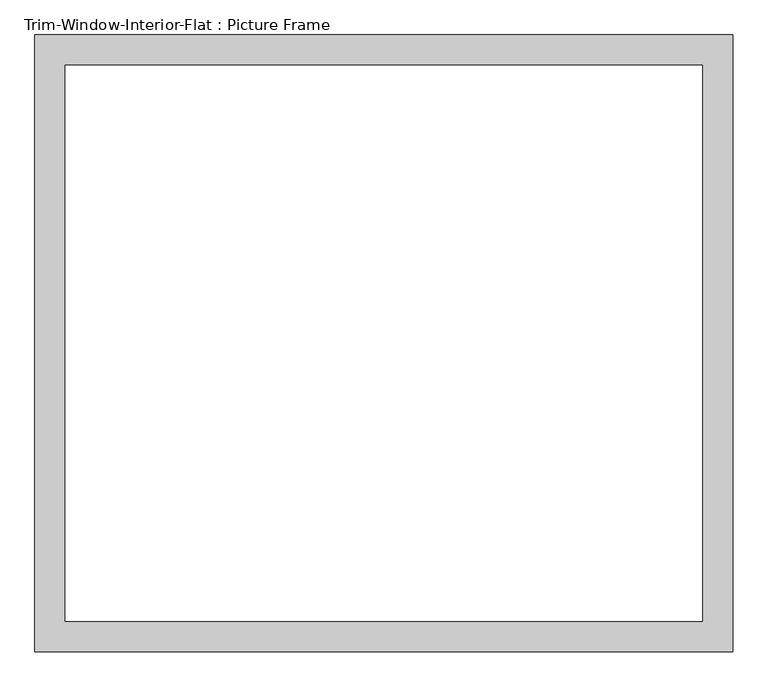
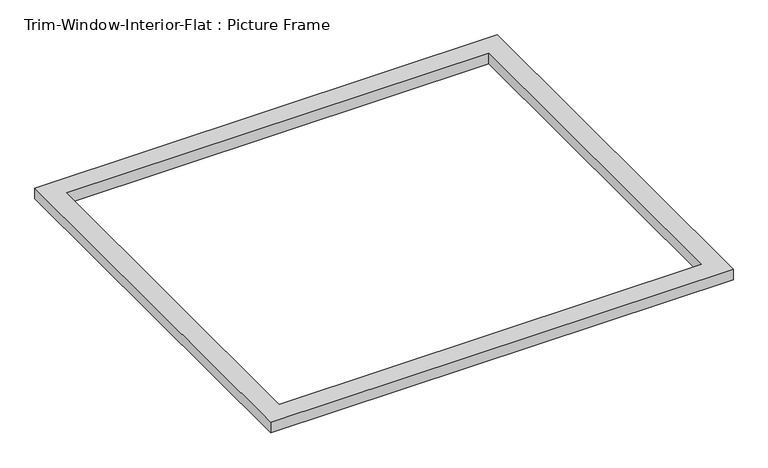
"""IFC4 building model written with IfcOpenShell, lengths in millimetres: proxy geometry, Trim-Window-Interior-Flat : Picture Frame."""

from ifc_helpers import new_model, si_unit, origin, origin_with_axes, place, context, project, spatial, polyline, outline, extrude, source, transform, mapped, element, save


def trim_window_interior_flat_picture_frame_1dce1945(model_context):
    return source(origin(), model_context, "Body", "SweptSolid", [
        extrude(outline(polyline([(654.05, 44.45), (654.05, -1111.25), (-654.05, -1111.25), (-654.05, 44.45), (654.05, 44.45)]), holes=[polyline([(596.9, -12.7), (-596.9, -12.7), (-596.9, -1054.1), (596.9, -1054.1), (596.9, -12.7)])]), origin_with_axes(), (0.0, 0.0, 1.0), 31.75),
    ])


if __name__ == "__main__":
    model = new_model("IFC4")
    model_context = context("Model", 3, world=origin())
    ifc_project = project(units=[si_unit("LENGTHUNIT", "METRE", prefix="MILLI")], contexts=[model_context])
    site = spatial("IfcSite", under=ifc_project)
    building = spatial("IfcBuilding", under=site)
    placement = place(None, origin())
    trim_window_interior_flat_picture_frame_shape = trim_window_interior_flat_picture_frame_1dce1945(model_context)
    element("IfcBuildingElementProxy", 1, Name="Trim-Window-Interior-Flat : Picture Frame", ObjectType="Trim-Window-Interior-Flat : Picture Frame", at=placement, inside=building, context=model_context, shape_type="MappedRepresentation", body=[
        mapped(trim_window_interior_flat_picture_frame_shape, transform((0.0, 0.0, 0.0), x_axis=(1.0, 0.0, 0.0), y_axis=(0.0, 1.0, 0.0), z_axis=(0.0, 0.0, 1.0))),
    ])
    save(model, "model.ifc")
